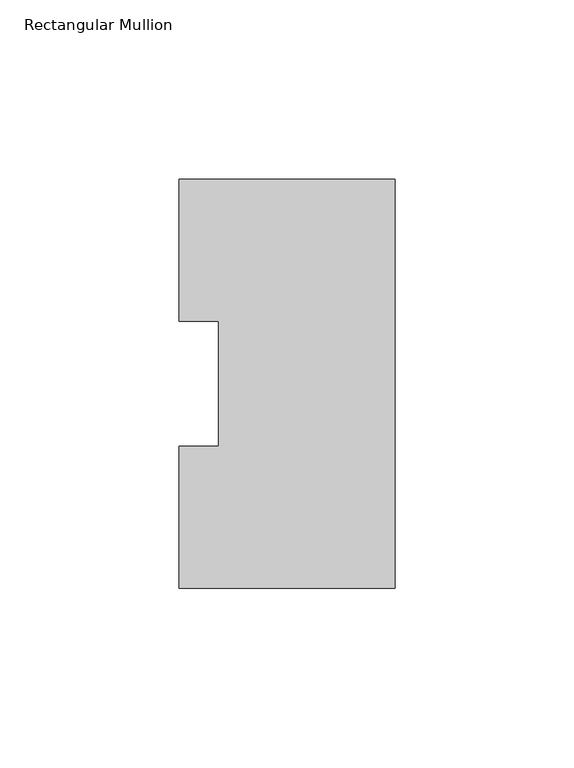
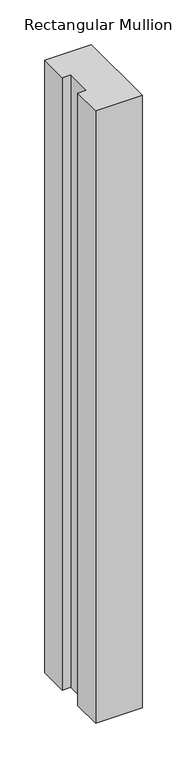
"""IFC4 building model written with IfcOpenShell, lengths in millimetres: member geometry, Rectangular Mullion."""

import ifcopenshell
import ifcopenshell.guid

model = None  # the IFC model being written
_history = None  # IfcOwnerHistory: only IFC2X3 demands one
_inside = {}  # id of a spatial element -> (the spatial element, [elements in it])
_under = {}  # id of a project, library or spatial element -> (it, [spatial elements below it])
_declared = {}  # id of a project -> (the project, [libraries it declares])
_typed = {}  # id of a type object -> (the type object, [elements of that type])
_made_of = {}  # id of a material, layer set ... -> (it, [elements and type objects made of it])


def new_model(schema):
    """Start an empty IFC model of exactly this schema.

    Asked for "IFC4X3", IfcOpenShell would pick the latest addendum, in which some entities
    have other attributes; the version numbers below select the first issue.
    IFC2X3 requires an IfcOwnerHistory on every rooted entity: one is made here for all.
    """
    global model, _history
    if schema == "IFC4X3":
        model = ifcopenshell.file(schema_version=(4, 3, 0, 0))
    else:
        model = ifcopenshell.file(schema=schema)
    _inside.clear()
    _under.clear()
    _declared.clear()
    _typed.clear()
    _made_of.clear()
    _history = None
    if model.schema == "IFC2X3":
        org = make("IfcOrganization", Name="unknown")
        user = make(
            "IfcPersonAndOrganization",
            ThePerson=make("IfcPerson", FamilyName="unknown"),
            TheOrganization=org,
        )
        app = make(
            "IfcApplication",
            ApplicationDeveloper=org,
            Version="unknown",
            ApplicationFullName="unknown",
            ApplicationIdentifier="unknown",
        )
        _history = make(
            "IfcOwnerHistory",
            OwningUser=user,
            OwningApplication=app,
            ChangeAction="ADDED",
            CreationDate=0,
        )
    return model


def make(cls, **values):
    """One entity of the class cls with the attributes given. An attribute that is None is left unset."""
    return model.create_entity(
        cls, **{name: value for name, value in values.items() if value is not None}
    )


def rooted(cls, **values):
    """An entity with a GlobalId (a new one), such as an element, a storey or a relation."""
    return make(cls, GlobalId=ifcopenshell.guid.new(), OwnerHistory=_history, **values)


def si_unit(unit_type, name, prefix=None):
    """IfcSIUnit, for example si_unit("LENGTHUNIT", "METRE", prefix="MILLI")."""
    return make("IfcSIUnit", UnitType=unit_type, Prefix=prefix, Name=name)


def assignment(units):
    """IfcUnitAssignment: the units of a project."""
    return None if units is None else make("IfcUnitAssignment", Units=units)


def point(xyz):
    """IfcCartesianPoint."""
    return None if xyz is None else make("IfcCartesianPoint", Coordinates=xyz)


def direction(xyz):
    """IfcDirection."""
    return None if xyz is None else make("IfcDirection", DirectionRatios=xyz)


def frame(location, z_axis=None, x_axis=None):
    """IfcAxis2Placement3D, a coordinate frame: its origin and axes. An axis left out is left unset."""
    return make(
        "IfcAxis2Placement3D",
        Location=point(location),
        Axis=direction(z_axis),
        RefDirection=direction(x_axis),
    )


def origin():
    """The frame at (0, 0, 0) with its axes left unset."""
    return frame((0.0, 0.0, 0.0))


def place(relative_to, where):
    """IfcLocalPlacement: puts the frame where relative to a parent placement (None: the world)."""
    return make(
        "IfcLocalPlacement", PlacementRelTo=relative_to, RelativePlacement=where
    )


def context(
    kind, dimensions, precision=None, world=None, true_north=None, identifier=None
):
    """IfcGeometricRepresentationContext, for example the 3D "Model" context."""
    return make(
        "IfcGeometricRepresentationContext",
        ContextIdentifier=identifier,
        ContextType=kind,
        CoordinateSpaceDimension=dimensions,
        Precision=precision,
        WorldCoordinateSystem=world,
        TrueNorth=true_north,
    )


def project(units=None, contexts=None):
    """IfcProject with its units and contexts."""
    return rooted(
        "IfcProject",
        Name="project",
        RepresentationContexts=contexts,
        UnitsInContext=assignment(units),
    )


def spatial(cls, under=None, at=None, **own):
    """A site, building, storey or space (cls), placed at a placement, below another one or the project."""
    s = rooted(cls, ObjectPlacement=at, **own)
    if under is not None:
        _under.setdefault(under.id(), (under, []))[1].append(s)
    return s


def polyline(points):
    """IfcPolyline through the points."""
    return make("IfcPolyline", Points=[point(p) for p in points])


def outline(outer, holes=None, kind="AREA"):
    """IfcArbitraryClosedProfileDef: a profile drawn as a closed curve; with holes, ...WithVoids."""
    if holes is None:
        return make("IfcArbitraryClosedProfileDef", ProfileType=kind, OuterCurve=outer)
    return make(
        "IfcArbitraryProfileDefWithVoids",
        ProfileType=kind,
        OuterCurve=outer,
        InnerCurves=holes,
    )


def extrude(swept, where, along, depth):
    """IfcExtrudedAreaSolid: the profile swept, set in the frame where, extruded along a direction by depth."""
    return make(
        "IfcExtrudedAreaSolid",
        SweptArea=swept,
        Position=where,
        ExtrudedDirection=direction(along),
        Depth=depth,
    )


def shape(context_of_items, identifier, shape_type, items):
    """IfcShapeRepresentation: the items that make up one representation, for example the "Body"."""
    return make(
        "IfcShapeRepresentation",
        ContextOfItems=context_of_items,
        RepresentationIdentifier=identifier,
        RepresentationType=shape_type,
        Items=items,
    )


def source(mapping_origin, context_of_items, identifier, shape_type, items):
    """IfcRepresentationMap: a shape defined once, which mapped items show again and again."""
    return make(
        "IfcRepresentationMap",
        MappingOrigin=mapping_origin,
        MappedRepresentation=shape(context_of_items, identifier, shape_type, items),
    )


def transform(
    local_origin,
    x_axis=None,
    y_axis=None,
    z_axis=None,
    scale=None,
    scale2=None,
    scale3=None,
    uniform=True,
):
    """IfcCartesianTransformationOperator3D, or its non-uniform kind. x_axis, y_axis, z_axis: its Axis1, 2, 3."""
    if uniform:
        return make(
            "IfcCartesianTransformationOperator3D",
            Axis1=direction(x_axis),
            Axis2=direction(y_axis),
            LocalOrigin=point(local_origin),
            Scale=scale,
            Axis3=direction(z_axis),
        )
    return make(
        "IfcCartesianTransformationOperator3DnonUniform",
        Axis1=direction(x_axis),
        Axis2=direction(y_axis),
        LocalOrigin=point(local_origin),
        Scale=scale,
        Axis3=direction(z_axis),
        Scale2=scale2,
        Scale3=scale3,
    )


def mapped(mapping_source, mapping_target):
    """IfcMappedItem: shows the shape of a source again, moved by a transform."""
    return make(
        "IfcMappedItem", MappingSource=mapping_source, MappingTarget=mapping_target
    )


def made_of(thing, what):
    """Note that an element or type object is made of a material, layer set ...; save() writes the relation."""
    if what is not None:
        _made_of.setdefault(what.id(), (what, []))[1].append(thing)
    return thing


def element(
    cls,
    number,
    at=None,
    inside=None,
    cuts=None,
    type_object=None,
    material=None,
    context=None,
    identifier="Body",
    shape_type=None,
    held_by="IfcProductDefinitionShape",
    body=None,
    shapes=None,
    **own,
):
    """One element of the class cls, such as IfcWall. Its Tag is "e" and its number.

    at: its placement. inside: the storey or other place that contains it. cuts: it is an
    opening in that element (IfcRelVoidsElement). A single representation is given by context,
    identifier, shape_type and body (its items); several are given by shapes. held_by: the class
    of the entity that holds the representations. save() writes the other relations.
    """
    e = rooted(cls, Tag="e%d" % number, ObjectPlacement=at, **own)
    if body is not None:
        shapes = [shape(context, identifier, shape_type, body)]
    if shapes is not None:
        e.Representation = make(held_by, Representations=shapes)
    if inside is not None:
        _inside.setdefault(inside.id(), (inside, []))[1].append(e)
    if cuts is not None:
        rooted(
            "IfcRelVoidsElement", RelatingBuildingElement=cuts, RelatedOpeningElement=e
        )
    if type_object is not None:
        _typed.setdefault(type_object.id(), (type_object, []))[1].append(e)
    return made_of(e, material)


def aggregate(whole, parts):
    """IfcRelAggregates: a whole, such as a stair, and the parts it consists of."""
    return rooted("IfcRelAggregates", RelatingObject=whole, RelatedObjects=parts)


def save(model, path):
    """Write the relations noted so far, then the file.

    IfcRelAggregates (storeys below a building ...), IfcRelContainedInSpatialStructure (elements
    in a storey), IfcRelDefinesByType, IfcRelAssociatesMaterial and IfcRelDeclares: one each for
    every whole, place, type object, material and project.
    """
    for whole, parts in _under.values():
        aggregate(whole, parts)
    for where, things in _inside.values():
        rooted(
            "IfcRelContainedInSpatialStructure",
            RelatedElements=things,
            RelatingStructure=where,
        )
    for kind, things in _typed.values():
        rooted("IfcRelDefinesByType", RelatedObjects=things, RelatingType=kind)
    for what, things in _made_of.values():
        rooted("IfcRelAssociatesMaterial", RelatedObjects=things, RelatingMaterial=what)
    for by, libraries in _declared.values():
        rooted("IfcRelDeclares", RelatingContext=by, RelatedDefinitions=libraries)
    model.write(path)


def rectangular_mullion_e4efccf2(model_context):
    return source(origin(), model_context, "Body", "SweptSolid", [
        extrude(outline(polyline([(0.0, 114.271425), (0.0, -0.028575), (-60.325, -0.028575), (-60.325, 39.646225), (-49.2125, 39.646225), (-49.2125, 74.596625), (-60.325, 74.596625), (-60.325, 114.271425), (0.0, 114.271425)])), frame((0.0, 0.0, -838.2), z_axis=(0.0, 0.0, 1.0), x_axis=(1.0, 0.0, 0.0)), (0.0, 0.0, 1.0), 838.2),
    ])


if __name__ == "__main__":
    model = new_model("IFC4")
    model_context = context("Model", 3, world=origin())
    ifc_project = project(units=[si_unit("LENGTHUNIT", "METRE", prefix="MILLI")], contexts=[model_context])
    site = spatial("IfcSite", under=ifc_project)
    building = spatial("IfcBuilding", under=site)
    placement = place(None, origin())
    rectangular_mullion_shape = rectangular_mullion_e4efccf2(model_context)
    element("IfcMember", 1, ObjectType="Rectangular Mullion", at=placement, inside=building, context=model_context, shape_type="MappedRepresentation", body=[
        mapped(rectangular_mullion_shape, transform((0.0, 0.0, 0.0), x_axis=(1.0, 0.0, 0.0), y_axis=(0.0, 1.0, 0.0), z_axis=(0.0, 0.0, 1.0))),
    ])
    save(model, "model.ifc")
